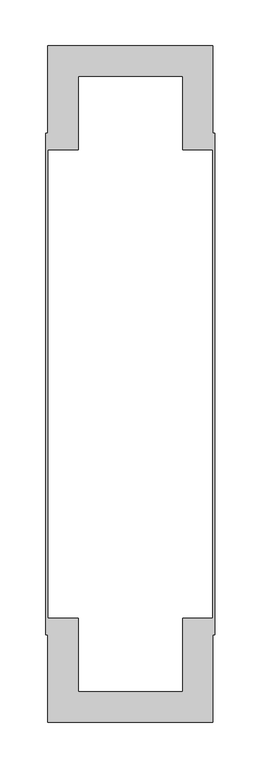
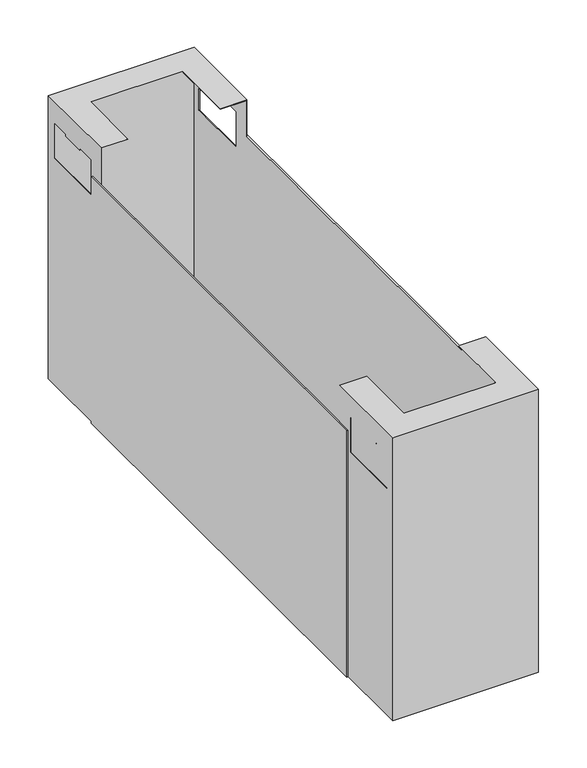
"""IFC4 building model written with IfcOpenShell, lengths in millimetres: furniture geometry."""

from ifc_helpers import new_model, si_unit, origin, place, context, project, spatial, triangles, source, transform, mapped, element, save


def furniture_52d4e72a(model_context):
    return source(origin(), model_context, "Body", "Tessellation", [
        triangles([(3033.9151548, -801.2618651, 442.1000133), (3212.1150335, -801.2618651, 442.1000133), (3033.9151548, -801.2618651, 73.0), (3212.1150335, -801.2618651, 73.0), (3213.0152692, -802.1618102, 442.9999947), (3180.0152486, -769.1618622, 442.9999947), (3033.0152097, -802.1618102, 442.9999947), (3066.0152303, -769.1618622, 442.9999947), (3033.0152097, -689.1618398, 442.9999947), (3066.0152303, -689.1618398, 442.9999947), (3213.0152692, -689.1618398, 442.9999947), (3180.0152486, -689.1618398, 442.9999947), (3213.0152692, -802.1618102, 73.0), (3033.0152097, -802.1618102, 73.0), (3212.1150335, -710.7618295, 368.3000121), (3212.1150335, -790.1618159, 368.3000121), (3212.1150335, -790.1618159, 414.7000142), (3212.1150335, -765.4618701, 414.7000142), (3212.1150335, -735.461848, 414.7000142), (3212.1150335, -765.4618701, 412.1999851), (3212.1150335, -735.461848, 412.1999851), (3212.1150335, -710.7618295, 414.7000142), (3212.1150335, -689.1618398, 442.1000133), (3212.1150335, -689.1618398, 73.0), (3033.0152097, -710.7618295, 414.7000142), (3033.0152097, -710.7618295, 368.3000121), (3033.0152097, -689.1618398, 73.0), (3033.0152097, -735.461848, 414.7000142), (3033.0152097, -765.4618701, 414.7000142), (3033.0152097, -790.1618159, 414.7000142), (3033.0152097, -735.461848, 412.1999851), (3033.0152097, -765.4618701, 412.1999851), (3033.0152097, -790.1618159, 368.3000121), (3180.0152486, -769.1618622, 442.1000133), (3066.0152303, -769.1618622, 442.1000133), (3033.9151548, -689.1618398, 442.1000133), (3066.0152303, -689.1618398, 442.1000133), (3180.0152486, -689.1618398, 442.1000133), (3213.0152692, -790.1618159, 368.3000121), (3213.0152692, -790.1618159, 414.7000142), (3213.0152692, -765.4618701, 414.7000142), (3213.0152692, -710.7618295, 368.3000121), (3213.0152692, -689.1618398, 73.0), (3213.0152692, -735.461848, 414.7000142), (3213.0152692, -710.7618295, 414.7000142), (3213.0152692, -765.4618701, 412.1999851), (3213.0152692, -735.461848, 412.1999851), (3033.9151548, -790.1618159, 368.3000121), (3033.9151548, -790.1618159, 414.7000142), (3033.9151548, -765.4618701, 414.7000142), (3033.9151548, -710.7618295, 368.3000121), (3033.9151548, -689.1618398, 73.0), (3033.9151548, -735.461848, 414.7000142), (3033.9151548, -710.7618295, 414.7000142), (3033.9151548, -765.4618701, 412.1999851), (3033.9151548, -735.461848, 412.1999851), (3030.9150472, -707.1118343, 73.0), (3033.0152097, -707.1118343, 73.0), (3030.9150472, -707.1118343, 395.0000175), (3033.0152097, -707.1118343, 395.0000175), (3030.9150472, -160.211843, 73.0), (3030.9150472, -160.211843, 395.0000175), (3033.0152097, -160.211843, 73.0), (3033.0152097, -160.211843, 395.0000175), (3213.0152692, -707.1118343, 73.0), (3215.1151411, -707.1118343, 73.0), (3213.0152692, -707.1118343, 395.0000175), (3215.1151411, -707.1118343, 395.0000175), (3213.0152692, -160.211843, 73.0), (3213.0152692, -160.211843, 395.0000175), (3215.1151411, -160.211843, 73.0), (3215.1151411, -160.211843, 395.0000175), (3212.1150335, -66.0618417, 442.1000133), (3033.9151548, -66.0618417, 442.1000133), (3212.1150335, -66.0618417, 73.0), (3033.9151548, -66.0618417, 73.0), (3213.0152692, -178.1618443, 442.9999947), (3213.0152692, -65.1618422, 442.9999947), (3180.0152486, -98.16184, 442.9999947), (3033.0152097, -65.1618422, 442.9999947), (3066.0152303, -98.16184, 442.9999947), (3033.0152097, -178.1618443, 442.9999947), (3066.0152303, -178.1618443, 442.9999947), (3180.0152486, -178.1618443, 442.9999947), (3033.0152097, -65.1618422, 73.0), (3213.0152692, -65.1618422, 73.0), (3212.1150335, -77.161841, 368.3000121), (3212.1150335, -156.5618421, 368.3000121), (3212.1150335, -178.1618443, 73.0), (3212.1150335, -178.1618443, 442.1000133), (3212.1150335, -77.161841, 414.7000142), (3212.1150335, -101.8618413, 414.7000142), (3212.1150335, -101.8618413, 412.1999851), (3212.1150335, -131.8618423, 412.1999851), (3212.1150335, -131.8618423, 414.7000142), (3212.1150335, -156.5618421, 414.7000142), (3033.0152097, -131.8618423, 414.7000142), (3033.0152097, -156.5618421, 414.7000142), (3033.0152097, -156.5618421, 368.3000121), (3033.0152097, -178.1618443, 73.0), (3033.0152097, -77.161841, 368.3000121), (3033.0152097, -77.161841, 414.7000142), (3033.0152097, -101.8618413, 414.7000142), (3033.0152097, -101.8618413, 412.1999851), (3033.0152097, -131.8618423, 412.1999851), (3180.0152486, -98.16184, 442.1000133), (3066.0152303, -98.16184, 442.1000133), (3033.9151548, -178.1618443, 442.1000133), (3066.0152303, -178.1618443, 442.1000133), (3180.0152486, -178.1618443, 442.1000133), (3213.0152692, -77.161841, 368.3000121), (3213.0152692, -156.5618421, 368.3000121), (3213.0152692, -178.1618443, 73.0), (3213.0152692, -156.5618421, 414.7000142), (3213.0152692, -131.8618423, 414.7000142), (3213.0152692, -101.8618413, 414.7000142), (3213.0152692, -77.161841, 414.7000142), (3213.0152692, -131.8618423, 412.1999851), (3213.0152692, -101.8618413, 412.1999851), (3033.9151548, -77.161841, 368.3000121), (3033.9151548, -156.5618421, 368.3000121), (3033.9151548, -178.1618443, 73.0), (3033.9151548, -156.5618421, 414.7000142), (3033.9151548, -131.8618423, 414.7000142), (3033.9151548, -101.8618413, 414.7000142), (3033.9151548, -77.161841, 414.7000142), (3033.9151548, -131.8618423, 412.1999851), (3033.9151548, -101.8618413, 412.1999851)], [[1, 2, 3], [3, 2, 4], [5, 6, 7], [7, 6, 8], [7, 8, 9], [9, 8, 10], [5, 11, 6], [6, 11, 12], [5, 7, 13], [13, 7, 14], [15, 4, 16], [2, 16, 4], [16, 2, 17], [18, 17, 2], [19, 18, 2], [18, 19, 20], [20, 19, 21], [15, 22, 23], [24, 15, 23], [15, 24, 4], [23, 22, 19], [23, 19, 2], [26, 25, 9], [27, 26, 9], [26, 27, 14], [9, 25, 28], [9, 28, 7], [7, 28, 29], [7, 29, 30], [31, 32, 28], [28, 32, 29], [7, 30, 33], [7, 33, 14], [14, 33, 26], [23, 2, 34], [1, 34, 2], [34, 1, 35], [36, 35, 1], [35, 36, 37], [34, 38, 23], [34, 35, 6], [6, 35, 8], [6, 12, 34], [34, 12, 38], [13, 39, 5], [5, 39, 40], [5, 40, 41], [42, 39, 13], [42, 13, 43], [11, 42, 43], [5, 44, 11], [11, 44, 45], [11, 45, 42], [46, 47, 41], [41, 47, 44], [5, 41, 44], [35, 37, 8], [8, 37, 10], [3, 48, 1], [1, 48, 49], [1, 49, 50], [51, 48, 3], [51, 3, 52], [36, 51, 52], [1, 53, 36], [36, 53, 54], [36, 54, 51], [55, 56, 50], [50, 56, 53], [1, 50, 53], [25, 26, 54], [54, 26, 51], [26, 33, 51], [51, 33, 48], [33, 30, 48], [48, 30, 49], [55, 50, 32], [32, 50, 29], [32, 31, 55], [55, 31, 56], [30, 29, 49], [49, 29, 50], [28, 25, 53], [53, 25, 54], [31, 28, 56], [56, 28, 53], [39, 42, 16], [16, 42, 15], [42, 45, 15], [15, 45, 22], [40, 39, 17], [17, 39, 16], [20, 21, 46], [46, 21, 47], [46, 41, 20], [20, 41, 18], [41, 40, 18], [18, 40, 17], [21, 19, 47], [47, 19, 44], [45, 44, 22], [22, 44, 19], [38, 12, 23], [11, 23, 12], [43, 23, 11], [43, 24, 23], [24, 43, 4], [13, 4, 43], [14, 4, 13], [4, 14, 3], [27, 3, 14], [3, 27, 52], [52, 27, 36], [9, 36, 27], [10, 36, 9], [10, 37, 36], [57, 58, 59], [59, 58, 60], [61, 57, 62], [62, 57, 59], [63, 61, 64], [64, 61, 62], [58, 63, 60], [60, 63, 64], [64, 62, 60], [60, 62, 59], [58, 57, 63], [63, 57, 61], [65, 66, 67], [67, 66, 68], [69, 65, 70], [70, 65, 67], [71, 69, 72], [72, 69, 70], [66, 71, 68], [68, 71, 72], [72, 70, 68], [68, 70, 67], [66, 65, 71], [71, 65, 69], [73, 74, 75], [75, 74, 76], [77, 78, 79], [80, 79, 78], [79, 80, 81], [82, 81, 80], [81, 82, 83], [79, 84, 77], [80, 78, 85], [85, 78, 86], [88, 87, 75], [88, 75, 89], [90, 88, 89], [75, 87, 73], [73, 87, 91], [73, 91, 92], [93, 94, 92], [92, 94, 95], [73, 92, 95], [73, 95, 90], [90, 95, 96], [90, 96, 88], [97, 98, 82], [82, 98, 99], [82, 99, 100], [100, 99, 85], [85, 99, 101], [85, 101, 80], [80, 101, 102], [80, 102, 103], [104, 105, 103], [103, 105, 97], [80, 103, 97], [80, 97, 82], [73, 106, 74], [74, 106, 107], [74, 107, 108], [108, 107, 109], [73, 90, 106], [106, 90, 110], [79, 81, 106], [106, 81, 107], [106, 110, 79], [79, 110, 84], [78, 111, 86], [86, 111, 112], [86, 112, 113], [113, 112, 77], [77, 112, 114], [77, 114, 115], [77, 115, 78], [78, 115, 116], [78, 116, 117], [118, 119, 115], [115, 119, 116], [78, 117, 111], [109, 107, 83], [83, 107, 81], [74, 120, 76], [76, 120, 121], [76, 121, 122], [122, 121, 108], [108, 121, 123], [108, 123, 124], [108, 124, 74], [74, 124, 125], [74, 125, 126], [127, 128, 124], [124, 128, 125], [74, 126, 120], [99, 98, 121], [121, 98, 123], [101, 99, 120], [120, 99, 121], [102, 101, 126], [126, 101, 120], [125, 128, 103], [103, 128, 104], [128, 127, 104], [104, 127, 105], [103, 102, 125], [125, 102, 126], [98, 97, 123], [123, 97, 124], [97, 105, 124], [124, 105, 127], [112, 111, 88], [88, 111, 87], [114, 112, 96], [96, 112, 88], [111, 117, 87], [87, 117, 91], [94, 93, 118], [118, 93, 119], [93, 92, 119], [119, 92, 116], [117, 116, 91], [91, 116, 92], [95, 94, 115], [115, 94, 118], [115, 114, 95], [95, 114, 96], [113, 77, 90], [84, 90, 77], [90, 84, 110], [90, 89, 113], [85, 86, 75], [113, 75, 86], [75, 113, 89], [75, 76, 85], [85, 76, 100], [100, 76, 122], [83, 82, 108], [100, 108, 82], [108, 100, 122], [108, 109, 83]]),
    ])


if __name__ == "__main__":
    model = new_model("IFC4")
    model_context = context("Model", 3, world=origin())
    ifc_project = project(units=[si_unit("LENGTHUNIT", "METRE", prefix="MILLI")], contexts=[model_context])
    site = spatial("IfcSite", under=ifc_project)
    building = spatial("IfcBuilding", under=site)
    placement = place(None, origin())
    furniture_shape = furniture_52d4e72a(model_context)
    element("IfcFurniture", 1, at=placement, inside=building, context=model_context, shape_type="MappedRepresentation", body=[
        mapped(furniture_shape, transform((0.0, 0.0, 0.0), x_axis=(1.0, 0.0, 0.0), y_axis=(0.0, 1.0, 0.0), z_axis=(0.0, 0.0, 1.0))),
    ])
    save(model, "model.ifc")
